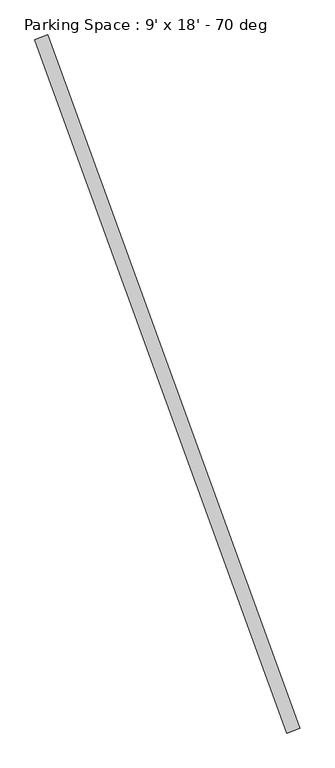
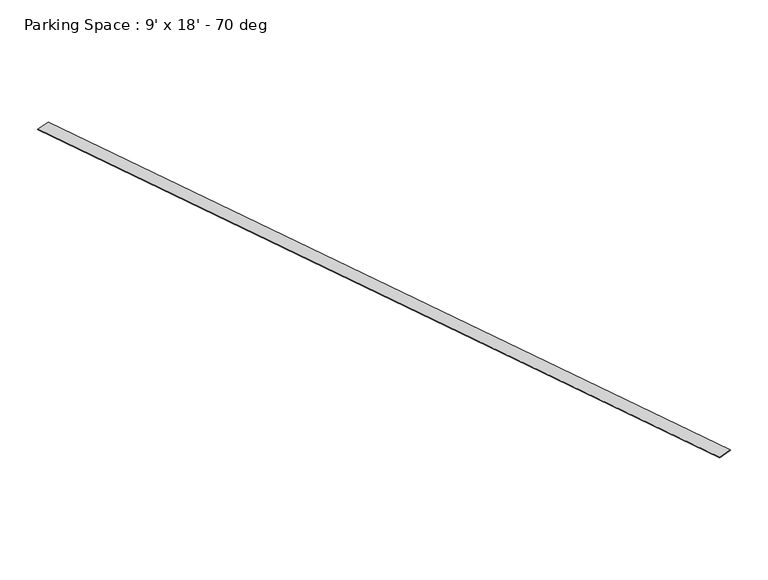
"""IFC4 building model written with IfcOpenShell, lengths in millimetres: proxy geometry, Parking Space : 9' x 18' - 70 deg."""

from ifc_helpers import new_model, si_unit, origin, origin_with_axes, place, context, project, spatial, polyline, outline, extrude, source, transform, mapped, element, save


def parking_space_9_x_18_70_deg_32bfe37d(model_context):
    return source(origin(), model_context, "Body", "SweptSolid", [
        extrude(outline(polyline([(-47.7363851, -17.3746233), (47.7363851, 17.3746233), (1923.2841016, -5135.6503767), (1827.8113313, -5170.3996233), (-47.7363851, -17.3746233)])), origin_with_axes(), (0.0, 0.0, 1.0), 3.175),
    ])


if __name__ == "__main__":
    model = new_model("IFC4")
    model_context = context("Model", 3, world=origin())
    ifc_project = project(units=[si_unit("LENGTHUNIT", "METRE", prefix="MILLI")], contexts=[model_context])
    site = spatial("IfcSite", under=ifc_project)
    building = spatial("IfcBuilding", under=site)
    placement = place(None, origin())
    parking_space_9_x_18_70_deg_shape = parking_space_9_x_18_70_deg_32bfe37d(model_context)
    element("IfcBuildingElementProxy", 1, Name="Parking Space : 9' x 18' - 70 deg", ObjectType="Parking Space : 9' x 18' - 70 deg", at=placement, inside=building, context=model_context, shape_type="MappedRepresentation", body=[
        mapped(parking_space_9_x_18_70_deg_shape, transform((0.0, 0.0, 0.0), x_axis=(1.0, 0.0, 0.0), y_axis=(0.0, 1.0, 0.0), z_axis=(0.0, 0.0, 1.0))),
    ])
    save(model, "model.ifc")
